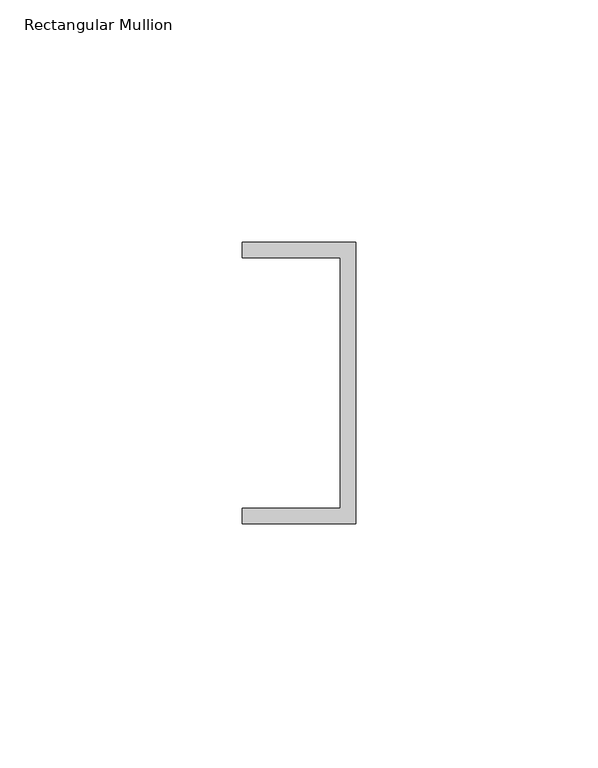
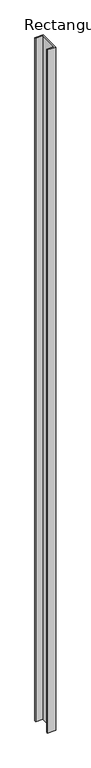
"""IFC4 building model written with IfcOpenShell, lengths in millimetres: member geometry, Rectangular Mullion."""

from ifc_helpers import new_model, si_unit, frame, origin, place, context, project, spatial, polyline, outline, extrude, source, transform, mapped, element, save


def rectangular_mullion_beb627a1(model_context):
    return source(origin(), model_context, "Body", "SweptSolid", [
        extrude(outline(polyline([(0.0, 29.0214844), (0.0, -29.0214844), (-23.3164063, -29.0214844), (-23.3164063, -25.8464844), (-3.175, -25.8464844), (-3.175, 25.8464844), (-23.3164063, 25.8464844), (-23.3164063, 29.0214844), (0.0, 29.0214844)])), frame((0.0, 0.0, -1964.6304687), z_axis=(0.0, 0.0, 1.0), x_axis=(1.0, 0.0, 0.0)), (0.0, 0.0, 1.0), 1964.6304687),
    ])


if __name__ == "__main__":
    model = new_model("IFC4")
    model_context = context("Model", 3, world=origin())
    ifc_project = project(units=[si_unit("LENGTHUNIT", "METRE", prefix="MILLI")], contexts=[model_context])
    site = spatial("IfcSite", under=ifc_project)
    building = spatial("IfcBuilding", under=site)
    placement = place(None, origin())
    rectangular_mullion_shape = rectangular_mullion_beb627a1(model_context)
    element("IfcMember", 1, ObjectType="Rectangular Mullion", at=placement, inside=building, context=model_context, shape_type="MappedRepresentation", body=[
        mapped(rectangular_mullion_shape, transform((0.0, 0.0, 0.0), x_axis=(1.0, 0.0, 0.0), y_axis=(0.0, 1.0, 0.0), z_axis=(0.0, 0.0, 1.0))),
    ])
    save(model, "model.ifc")
